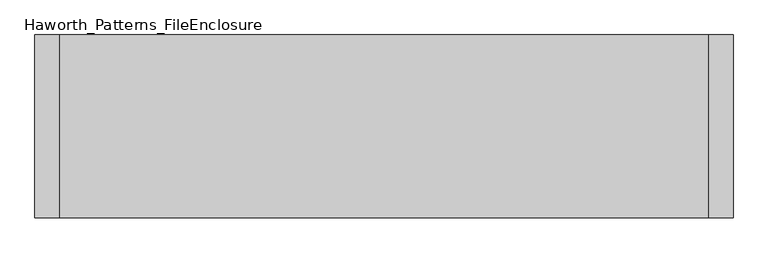
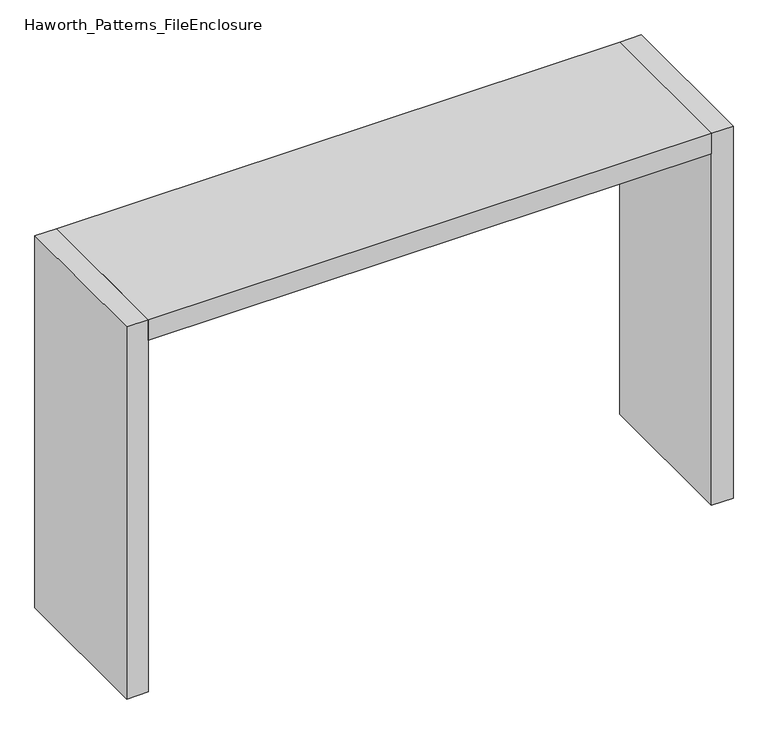
"""IFC4 building model written with IfcOpenShell, lengths in millimetres: furniture geometry, Haworth_Patterns_FileEnclosure."""

from ifc_helpers import new_model, si_unit, frame, origin, origin_with_axes, place, context, project, spatial, polyline, outline, extrude, source, transform, mapped, element, save


def haworth_patterns_fileenclosure_731e65dc(model_context):
    return source(origin(), model_context, "Body", "SweptSolid", [
        extrude(outline(polyline([(990.6, 0.0), (990.6, -558.8), (-990.6, -558.8), (-990.6, 0.0), (990.6, 0.0)])), frame((0.0, 0.0, 1308.1), z_axis=(0.0, 0.0, 1.0), x_axis=(1.0, 0.0, 0.0)), (0.0, 0.0, 1.0), 76.2),
        extrude(outline(polyline([(990.6, 0.0), (1066.8, 0.0), (1066.8, -558.8), (990.6, -558.8), (990.6, 0.0)])), origin_with_axes(), (0.0, 0.0, 1.0), 1384.3),
        extrude(outline(polyline([(-990.6, 0.0), (-990.6, -558.8), (-1066.8, -558.8), (-1066.8, 0.0), (-990.6, 0.0)])), origin_with_axes(), (0.0, 0.0, 1.0), 1384.3),
    ])


if __name__ == "__main__":
    model = new_model("IFC4")
    model_context = context("Model", 3, world=origin())
    ifc_project = project(units=[si_unit("LENGTHUNIT", "METRE", prefix="MILLI")], contexts=[model_context])
    site = spatial("IfcSite", under=ifc_project)
    building = spatial("IfcBuilding", under=site)
    placement = place(None, origin())
    haworth_patterns_fileenclosure_shape = haworth_patterns_fileenclosure_731e65dc(model_context)
    element("IfcFurniture", 1, ObjectType="Haworth_Patterns_FileEnclosure", at=placement, inside=building, context=model_context, shape_type="MappedRepresentation", body=[
        mapped(haworth_patterns_fileenclosure_shape, transform((0.0, 0.0, 0.0), x_axis=(1.0, 0.0, 0.0), y_axis=(0.0, 1.0, 0.0), z_axis=(0.0, 0.0, 1.0))),
    ])
    save(model, "model.ifc")
